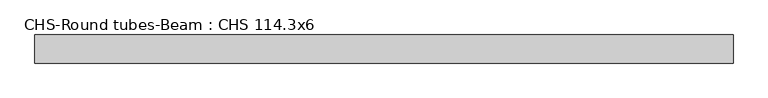
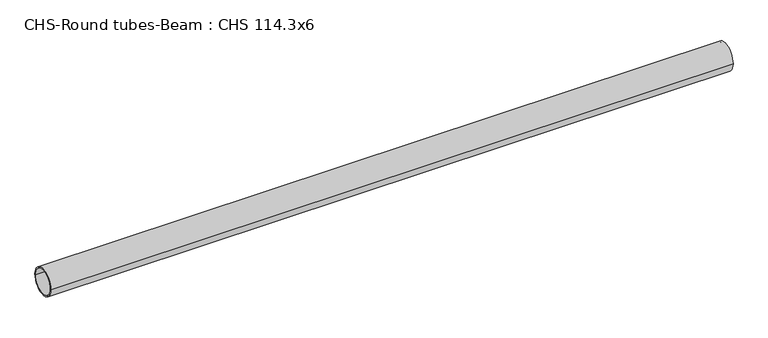
"""IFC4 building model written with IfcOpenShell, lengths in millimetres: beam geometry, CHS-Round tubes-Beam : CHS 114.3x6."""

from ifc_helpers import new_model, si_unit, point, frame, origin, origin_2d, place, context, project, spatial, circle_curve, trimmed, segment, composite_curve, outline, extrude, source, transform, mapped, element, save


def chs_round_tubes_beam_chs_114_3x6_26f82642(model_context):
    return source(origin(), model_context, "Body", "SweptSolid", [
        extrude(outline(composite_curve([segment(trimmed(circle_curve(origin_2d(), 57.15), [point((57.15, 0.0))], [point((-57.15, 0.0))], False, "CARTESIAN"), True, "CONTINUOUS"), segment(trimmed(circle_curve(origin_2d(), 57.15), [point((-57.15, 0.0))], [point((57.15, 0.0))], False, "CARTESIAN"), True, "CONTINUOUS")], self_intersect=False), holes=[composite_curve([segment(trimmed(circle_curve(origin_2d(), 51.15), [point((51.15, 0.0))], [point((-51.15, 0.0))], True, "CARTESIAN"), True, "CONTINUOUS"), segment(trimmed(circle_curve(origin_2d(), 51.15), [point((-51.15, 0.0))], [point((51.15, 0.0))], True, "CARTESIAN"), True, "CONTINUOUS")], self_intersect=False)]), frame((-1407.9219061, 0.0, 0.0), z_axis=(1.0, 0.0, 0.0), x_axis=(0.0, 1.0, 0.0)), (0.0, 0.0, 1.0), 2835.4732344),
    ])


if __name__ == "__main__":
    model = new_model("IFC4")
    model_context = context("Model", 3, world=origin())
    ifc_project = project(units=[si_unit("LENGTHUNIT", "METRE", prefix="MILLI")], contexts=[model_context])
    site = spatial("IfcSite", under=ifc_project)
    building = spatial("IfcBuilding", under=site)
    placement = place(None, origin())
    chs_round_tubes_beam_chs_114_3x6_shape = chs_round_tubes_beam_chs_114_3x6_26f82642(model_context)
    element("IfcBeam", 1, ObjectType="CHS-Round tubes-Beam : CHS 114.3x6", at=placement, inside=building, context=model_context, shape_type="MappedRepresentation", body=[
        mapped(chs_round_tubes_beam_chs_114_3x6_shape, transform((0.0, 0.0, 0.0), x_axis=(1.0, 0.0, 0.0), y_axis=(0.0, 1.0, 0.0), z_axis=(0.0, 0.0, 1.0))),
    ])
    save(model, "model.ifc")
